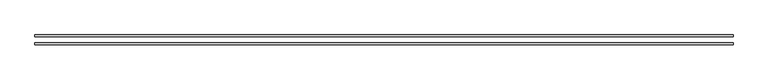
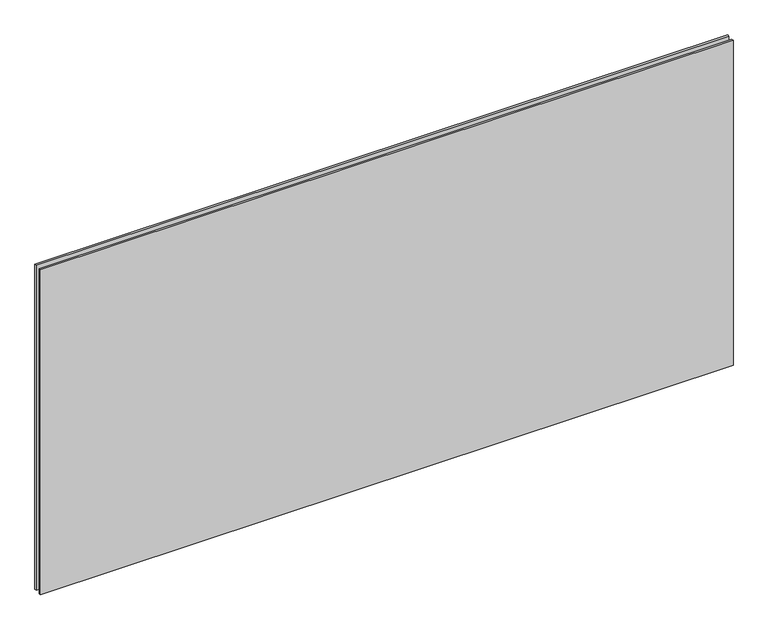
"""IFC4 building model written with IfcOpenShell, lengths in millimetres: plate geometry."""

from ifc_helpers import new_model, si_unit, origin, origin_with_axes, place, context, project, spatial, polyline, outline, extrude, source, transform, mapped, element, save


def plate_2f3837cb(model_context):
    return source(origin(), model_context, "Body", "SweptSolid", [
        extrude(outline(polyline([(-1009.1474384, 14.0), (1009.1474384, 14.0), (1009.1474384, 8.0), (-1009.1474384, 8.0), (-1009.1474384, 14.0)])), origin_with_axes(), (0.0, 0.0, 1.0), 1000.9999996),
        extrude(outline(polyline([(-1009.1474384, -8.0), (1009.1474384, -8.0), (1009.1474384, -14.0), (-1009.1474384, -14.0), (-1009.1474384, -8.0)])), origin_with_axes(), (0.0, 0.0, 1.0), 1000.9999996),
    ])


if __name__ == "__main__":
    model = new_model("IFC4")
    model_context = context("Model", 3, world=origin())
    ifc_project = project(units=[si_unit("LENGTHUNIT", "METRE", prefix="MILLI")], contexts=[model_context])
    site = spatial("IfcSite", under=ifc_project)
    building = spatial("IfcBuilding", under=site)
    placement = place(None, origin())
    plate_shape = plate_2f3837cb(model_context)
    element("IfcPlate", 1, at=placement, inside=building, context=model_context, shape_type="MappedRepresentation", body=[
        mapped(plate_shape, transform((0.0, 0.0, 0.0), x_axis=(1.0, 0.0, 0.0), y_axis=(0.0, 1.0, 0.0), z_axis=(0.0, 0.0, 1.0))),
    ])
    save(model, "model.ifc")
